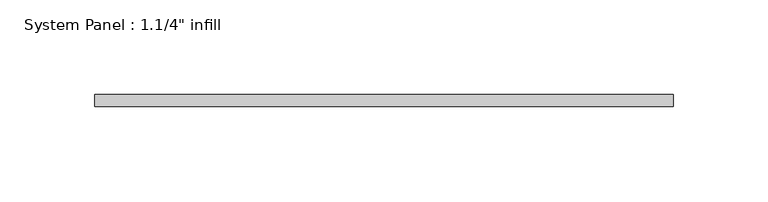
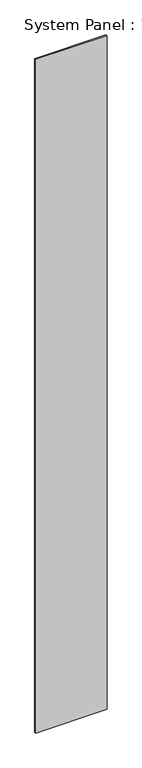
"""IFC4 building model written with IfcOpenShell, lengths in millimetres: plate geometry."""

from ifc_helpers import new_model, si_unit, origin, origin_with_axes, place, context, project, spatial, polyline, outline, extrude, source, transform, mapped, element, save


def plate_6f90b6f8(model_context):
    return source(origin(), model_context, "Body", "SweptSolid", [
        extrude(outline(polyline([(152.9244146, -6.2507813), (-152.9244146, -6.2507813), (-152.9244146, 0.0992187), (152.9244146, 0.0992187), (152.9244146, -6.2507813)])), origin_with_axes(), (0.0, 0.0, 1.0), 3048.0),
    ])


if __name__ == "__main__":
    model = new_model("IFC4")
    model_context = context("Model", 3, world=origin())
    ifc_project = project(units=[si_unit("LENGTHUNIT", "METRE", prefix="MILLI")], contexts=[model_context])
    site = spatial("IfcSite", under=ifc_project)
    building = spatial("IfcBuilding", under=site)
    placement = place(None, origin())
    plate_shape = plate_6f90b6f8(model_context)
    element("IfcPlate", 1, ObjectType="System Panel : 1.1/4\" infill", at=placement, inside=building, context=model_context, shape_type="MappedRepresentation", body=[
        mapped(plate_shape, transform((0.0, 0.0, 0.0), x_axis=(1.0, 0.0, 0.0), y_axis=(0.0, 1.0, 0.0), z_axis=(0.0, 0.0, 1.0))),
    ])
    save(model, "model.ifc")
